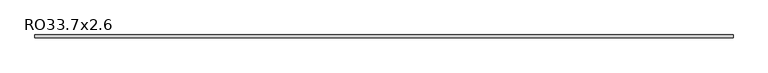
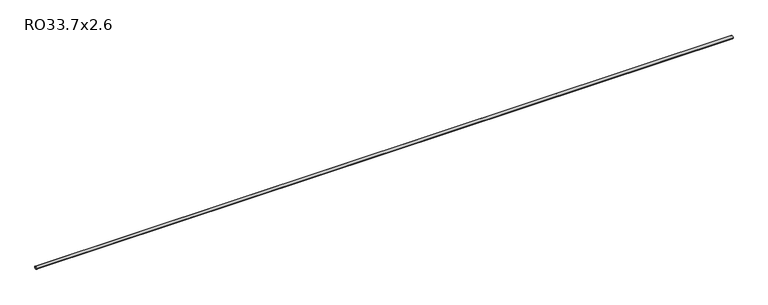
"""IFC4 building model written with IfcOpenShell, lengths in millimetres: beam geometry, RO33.7x2.6."""

from ifc_helpers import new_model, si_unit, point, frame, origin, origin_2d, place, context, project, spatial, circle_curve, trimmed, segment, composite_curve, outline, extrude, source, transform, mapped, element, save


def ro33_7x2_6_e0c3ca4e(model_context):
    return source(origin(), model_context, "Body", "SweptSolid", [
        extrude(outline(composite_curve([segment(trimmed(circle_curve(origin_2d(), 16.85), [point((16.85, 0.0))], [point((-16.85, 0.0))], False, "CARTESIAN"), True, "CONTINUOUS"), segment(trimmed(circle_curve(origin_2d(), 16.85), [point((-16.85, 0.0))], [point((16.85, 0.0))], False, "CARTESIAN"), True, "CONTINUOUS")], self_intersect=False), holes=[composite_curve([segment(trimmed(circle_curve(origin_2d(), 14.25), [point((-14.25, 0.0))], [point((14.25, 0.0))], True, "CARTESIAN"), True, "CONTINUOUS"), segment(trimmed(circle_curve(origin_2d(), 14.25), [point((14.25, 0.0))], [point((-14.25, 0.0))], True, "CARTESIAN"), True, "CONTINUOUS")], self_intersect=False)]), frame((-3675.5, 0.0, 0.0), z_axis=(1.0, 0.0, 0.0), x_axis=(0.0, 1.0, 0.0)), (0.0, 0.0, 1.0), 8390.5),
    ])


if __name__ == "__main__":
    model = new_model("IFC4")
    model_context = context("Model", 3, world=origin())
    ifc_project = project(units=[si_unit("LENGTHUNIT", "METRE", prefix="MILLI")], contexts=[model_context])
    site = spatial("IfcSite", under=ifc_project)
    building = spatial("IfcBuilding", under=site)
    placement = place(None, origin())
    ro33_7x2_6_shape = ro33_7x2_6_e0c3ca4e(model_context)
    element("IfcBeam", 1, ObjectType="RO33.7x2.6", at=placement, inside=building, context=model_context, shape_type="MappedRepresentation", body=[
        mapped(ro33_7x2_6_shape, transform((0.0, 0.0, 0.0), x_axis=(1.0, 0.0, 0.0), y_axis=(0.0, 1.0, 0.0), z_axis=(0.0, 0.0, 1.0))),
    ])
    save(model, "model.ifc")
